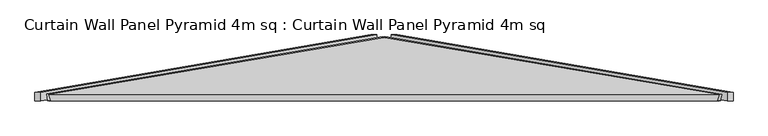
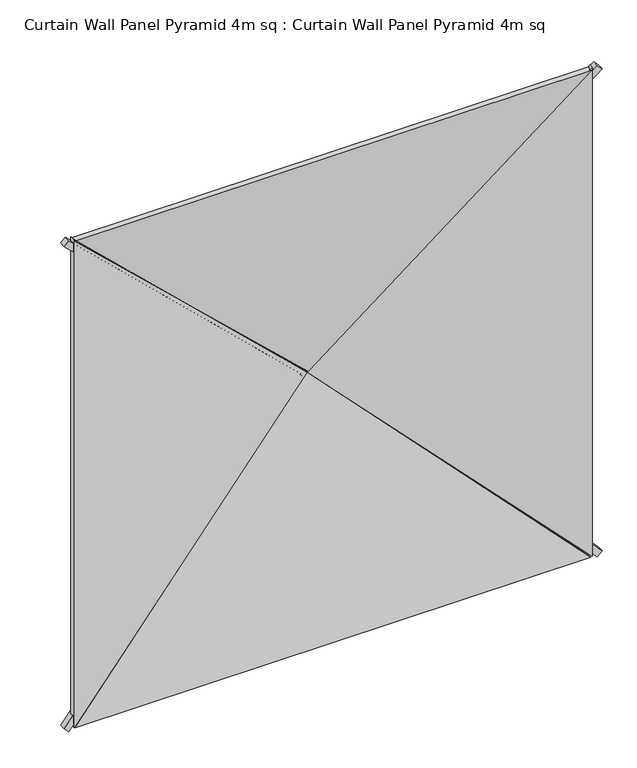
"""IFC4 building model written with IfcOpenShell, lengths in millimetres: plate geometry, Curtain Wall Panel Pyramid 4m sq : Curtain Wall Panel Pyramid 4m sq."""

from ifc_helpers import new_model, si_unit, frame, origin, place, context, project, spatial, polyline, outline, extrude, source, transform, mapped, element, save


def curtain_wall_panel_pyramid_4m_sq_curtain_wall_panel_pyramid_79d5d8d7(model_context):
    return source(origin(), model_context, "Body", "SweptSolid", [
        extrude(outline(polyline([(-25.0, 0.0), (25.0, 0.0), (-319.5008531, -2828.2124727), (-369.5008531, -2828.2124727), (-25.0, 0.0)])), frame((2042.3223305, 25.0, -17.6776695), z_axis=(0.7071067811865489, 0.0, 0.7071067811865462), x_axis=(0.0, -1.0, 0.0)), (0.0, 0.0, 1.0), 50.0),
        extrude(outline(polyline([(-25.0, 0.0), (25.0, 0.0), (369.5008531, -2828.2124727), (319.5008531, -2828.2124727), (-25.0, 0.0)])), frame((-2042.3223305, 25.0, -17.6776695), z_axis=(-0.7071067811865475, 0.0, 0.7071067811865477), x_axis=(0.0, 1.0, 0.0)), (0.0, 0.0, 1.0), 50.0),
        extrude(outline(polyline([(-25.0, 0.0), (25.0, 0.0), (369.5008531, -2828.2124727), (319.5008531, -2828.2124727), (-25.0, 0.0)])), frame((-2077.6776695, 25.0, 3957.3223305), z_axis=(0.7071067811865487, 0.0, 0.7071067811865464), x_axis=(0.0, 1.0, 0.0)), (0.0, 0.0, 1.0), 50.0),
        extrude(outline(polyline([(-25.0, 0.0), (25.0, 0.0), (-319.5008531, -2828.2124727), (-369.5008531, -2828.2124727), (-25.0, 0.0)])), frame((2077.6776695, 25.0, 3957.3223305), z_axis=(-0.7071067811865472, 0.0, 0.7071067811865479), x_axis=(0.0, -1.0, 0.0)), (0.0, 0.0, 1.0), 50.0),
        extrude(outline(polyline([(1993.2098768, -1014.7271131), (-2.1709376, 1016.8143409), (3988.5906912, 1016.8143409), (1993.2098768, -1014.7271131)])), frame((1000.0, 172.8335872, 0.0), z_axis=(0.16975307948003834, 0.9854866270056859, 0.0), x_axis=(0.0, 0.0, 1.0)), (0.0, 0.0, 1.0), 40.0),
        extrude(outline(polyline([(0.0, -1014.7271131), (-1991.3928218, 1012.7540773), (1991.3928218, 1012.7540773), (0.0, -1014.7271131)])), frame((0.0, 212.2530523, 986.4197536), z_axis=(0.0, -0.9854866270056859, 0.16975307948003834), x_axis=(-1.0, 0.0, 0.0)), (0.0, 0.0, 1.0), 40.0),
        extrude(outline(polyline([(1993.2098768, 1014.7271131), (3986.6374086, -1014.8256606), (-0.217655, -1014.8256606), (1993.2098768, 1014.7271131)])), frame((-1000.0, 172.8335872, 0.0), z_axis=(-0.16975307948003834, 0.9854866270056859, 0.0), x_axis=(0.0, 0.0, 1.0)), (0.0, 0.0, 1.0), 40.0),
        extrude(outline(polyline([(1996.304868, -1017.8221042), (-1996.2959025, -1017.8221042), (2.4233431, 976.0594205), (1996.304868, -1017.8221042)])), frame((0.0, 172.8335872, 2968.2098768), z_axis=(0.0, 0.9854866270056859, 0.16975307948003832), x_axis=(1.0, 0.0, 0.0)), (0.0, 0.0, 1.0), 40.0),
    ])


if __name__ == "__main__":
    model = new_model("IFC4")
    model_context = context("Model", 3, world=origin())
    ifc_project = project(units=[si_unit("LENGTHUNIT", "METRE", prefix="MILLI")], contexts=[model_context])
    site = spatial("IfcSite", under=ifc_project)
    building = spatial("IfcBuilding", under=site)
    placement = place(None, origin())
    curtain_wall_panel_pyramid_4m_sq_curtain_wall_panel_pyramid_shape = curtain_wall_panel_pyramid_4m_sq_curtain_wall_panel_pyramid_79d5d8d7(model_context)
    element("IfcPlate", 1, ObjectType="Curtain Wall Panel Pyramid 4m sq : Curtain Wall Panel Pyramid 4m sq", at=placement, inside=building, context=model_context, shape_type="MappedRepresentation", body=[
        mapped(curtain_wall_panel_pyramid_4m_sq_curtain_wall_panel_pyramid_shape, transform((0.0, 0.0, 0.0), x_axis=(1.0, 0.0, 0.0), y_axis=(0.0, 1.0, 0.0), z_axis=(0.0, 0.0, 1.0))),
    ])
    save(model, "model.ifc")
